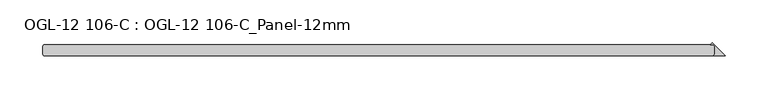
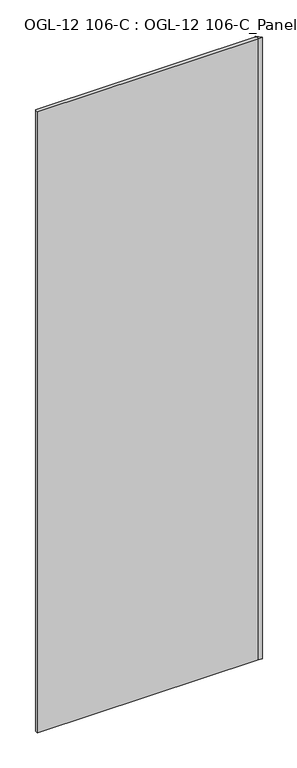
"""IFC4 building model written with IfcOpenShell, lengths in millimetres: plate geometry, OGL-12 106-C : OGL-12 106-C_Panel-12mm."""

from ifc_helpers import new_model, si_unit, origin, origin_with_axes, place, context, project, spatial, polyline, outline, extrude, source, transform, mapped, element, save


def ogl_12_106_c_ogl_12_106_c_panel_12mm_3b463762(model_context):
    return source(origin(), model_context, "Body", "SweptSolid", [
        extrude(outline(polyline([(391.5833333, -4.7625), (391.5833333, 4.7625), (389.9958333, 6.35), (386.1632693, 6.35), (388.8733013, 9.060032), (404.2833333, -6.35), (389.9958333, -6.35), (391.5833333, -4.7625)])), origin_with_axes(), (0.0, 0.0, 1.0), 2339.9738578),
        extrude(outline(polyline([(389.9958333, -6.35), (-396.3458333, -6.35), (-397.9333333, -4.7625), (-397.9333333, 4.7625), (-396.3458333, 6.35), (389.9958333, 6.35), (391.5833333, 4.7625), (391.5833333, -4.7625), (389.9958333, -6.35)])), origin_with_axes(), (0.0, 0.0, 1.0), 2339.9738578),
    ])


if __name__ == "__main__":
    model = new_model("IFC4")
    model_context = context("Model", 3, world=origin())
    ifc_project = project(units=[si_unit("LENGTHUNIT", "METRE", prefix="MILLI")], contexts=[model_context])
    site = spatial("IfcSite", under=ifc_project)
    building = spatial("IfcBuilding", under=site)
    placement = place(None, origin())
    ogl_12_106_c_ogl_12_106_c_panel_12mm_shape = ogl_12_106_c_ogl_12_106_c_panel_12mm_3b463762(model_context)
    element("IfcPlate", 1, ObjectType="OGL-12 106-C : OGL-12 106-C_Panel-12mm", at=placement, inside=building, context=model_context, shape_type="MappedRepresentation", body=[
        mapped(ogl_12_106_c_ogl_12_106_c_panel_12mm_shape, transform((0.0, 0.0, 0.0), x_axis=(1.0, 0.0, 0.0), y_axis=(0.0, 1.0, 0.0), z_axis=(0.0, 0.0, 1.0))),
    ])
    save(model, "model.ifc")
